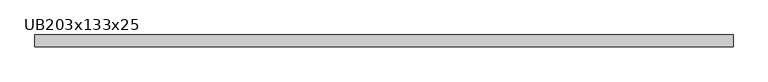
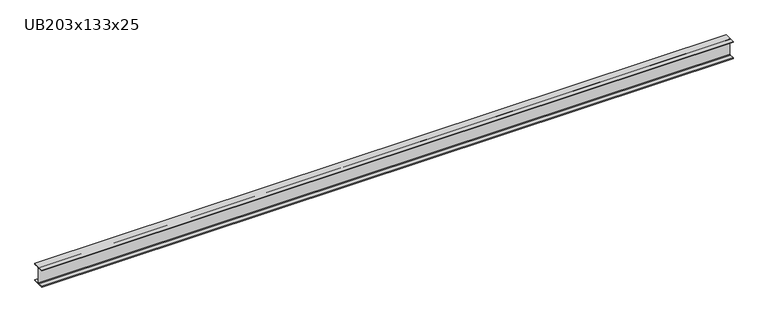
"""IFC4 building model written with IfcOpenShell, lengths in millimetres: beam geometry, UB203x133x25."""

from ifc_helpers import new_model, si_unit, point, frame, frame_2d, origin, place, context, project, spatial, polyline, circle_curve, trimmed, segment, composite_curve, outline, extrude, source, transform, mapped, element, save


def ub203x133x25_d9f79d16(model_context):
    return source(origin(), model_context, "Body", "SweptSolid", [
        extrude(outline(composite_curve([segment(polyline([(66.6, -93.8), (66.6, -101.6), (-66.6, -101.6), (-66.6, -93.8), (-10.45, -93.8)]), True, "CONTINUOUS"), segment(trimmed(circle_curve(frame_2d((-10.45, -86.2)), 7.6), [point((-10.45, -93.8))], [point((-2.85, -86.2))], True, "CARTESIAN"), True, "CONTINUOUS"), segment(polyline([(-2.85, -86.2), (-2.85, 86.2)]), True, "CONTINUOUS"), segment(trimmed(circle_curve(frame_2d((-10.45, 86.2)), 7.6), [point((-2.85, 86.2))], [point((-10.45, 93.8))], True, "CARTESIAN"), True, "CONTINUOUS"), segment(polyline([(-10.45, 93.8), (-66.6, 93.8), (-66.6, 101.6), (66.6, 101.6), (66.6, 93.8), (10.45, 93.8)]), True, "CONTINUOUS"), segment(trimmed(circle_curve(frame_2d((10.45, 86.2)), 7.6), [point((10.45, 93.8))], [point((2.85, 86.2))], True, "CARTESIAN"), True, "CONTINUOUS"), segment(polyline([(2.85, 86.2), (2.85, -86.2)]), True, "CONTINUOUS"), segment(trimmed(circle_curve(frame_2d((10.45, -86.2)), 7.6), [point((2.85, -86.2))], [point((10.45, -93.8))], True, "CARTESIAN"), True, "CONTINUOUS"), segment(polyline([(10.45, -93.8), (66.6, -93.8)]), True, "CONTINUOUS")], self_intersect=False)), frame((-3921.0, 0.0, 0.0), z_axis=(1.0, 0.0, 0.0), x_axis=(0.0, 1.0, 0.0)), (0.0, 0.0, 1.0), 7842.0),
    ])


if __name__ == "__main__":
    model = new_model("IFC4")
    model_context = context("Model", 3, world=origin())
    ifc_project = project(units=[si_unit("LENGTHUNIT", "METRE", prefix="MILLI")], contexts=[model_context])
    site = spatial("IfcSite", under=ifc_project)
    building = spatial("IfcBuilding", under=site)
    placement = place(None, origin())
    ub203x133x25_shape = ub203x133x25_d9f79d16(model_context)
    element("IfcBeam", 1, ObjectType="UB203x133x25", at=placement, inside=building, context=model_context, shape_type="MappedRepresentation", body=[
        mapped(ub203x133x25_shape, transform((0.0, 0.0, 0.0), x_axis=(1.0, 0.0, 0.0), y_axis=(0.0, 1.0, 0.0), z_axis=(0.0, 0.0, 1.0))),
    ])
    save(model, "model.ifc")
